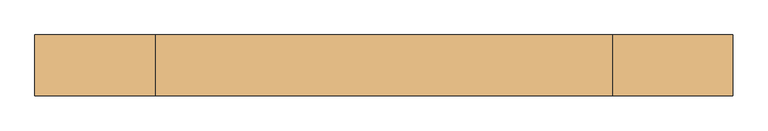
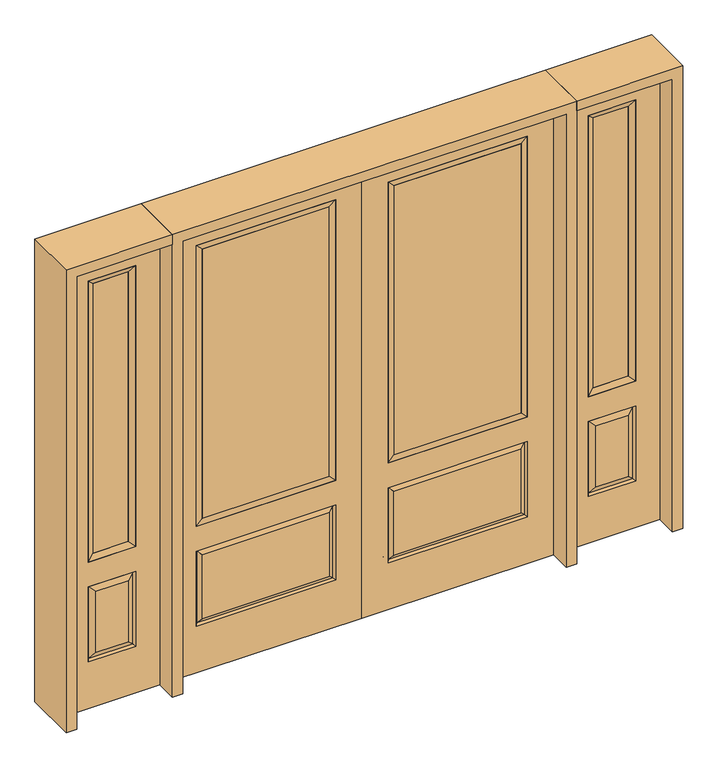
"""IFC4 building model written with IfcOpenShell, lengths in millimetres: door geometry."""

from ifc_helpers import new_model, si_unit, frame, origin, place, context, project, spatial, polyline, outline, extrude, faceted_brep, source, transform, mapped, element, save


def door_19d7b4fd(model_context):
    return source(origin(), model_context, "Body", "SolidModel", [
        faceted_brep([(694.5661499, -12.7912373, 216.6588501), (677.06875, -22.225, 234.15625), (135.73125, -22.225, 234.15625), (118.2338501, -12.7912373, 216.6588501), (111.125, -22.225, 209.55), (701.675, -22.225, 209.55), (701.675, -22.225, 546.1), (694.5661499, -12.7912373, 538.9911499), (0.0, -22.225, 2032.0), (0.0, -22.225, 0.0), (812.8, -22.225, 0.0), (812.8, -22.225, 2032.0), (111.125, -22.225, 546.1), (111.125, -22.225, 1917.7), (701.675, -22.225, 1917.7), (701.675, -22.225, 657.098), (111.125, -22.225, 657.098), (677.06875, -22.225, 521.49375), (135.73125, -22.225, 521.49375), (118.2338501, -12.7912373, 538.9911499), (812.8, 22.225, 0.0), (812.8, 22.225, 2032.0), (0.0, 22.225, 0.0), (0.0, 22.225, 2032.0), (111.125, 22.225, 657.098), (111.125, 22.225, 1917.7), (701.675, 22.225, 657.098), (701.675, 22.225, 1917.7), (135.73125, 22.225, 234.15625), (135.73125, 22.225, 521.49375), (677.06875, 22.225, 521.49375), (677.06875, 22.225, 234.15625), (701.675, 22.225, 209.55), (701.675, 22.225, 546.1), (111.125, 22.225, 546.1), (111.125, 22.225, 209.55), (118.2338501, 12.7912373, 216.6588501), (694.5661499, 12.7912373, 216.6588501), (118.2338501, 12.7912373, 538.9911499), (694.5661499, 12.7912373, 538.9911499)], [[[0, 1, 2, 3]], [[3, 4, 5, 0]], [[5, 6, 7, 0]], [[8, 9, 10, 11], [4, 12, 6, 5], [13, 14, 15, 16]], [[1, 17, 18, 2]], [[3, 19, 12, 4]], [[2, 18, 19, 3]], [[0, 7, 17, 1]], [[6, 12, 19, 7]], [[7, 19, 18, 17]], [[10, 20, 21, 11]], [[9, 22, 20, 10]], [[8, 23, 22, 9]], [[16, 24, 25, 13]], [[15, 26, 24, 16]], [[14, 27, 26, 15]], [[28, 29, 30, 31]], [[23, 21, 20, 22], [25, 24, 26, 27], [32, 33, 34, 35]], [[32, 35, 36, 37]], [[35, 34, 38, 36]], [[39, 38, 34, 33]], [[37, 39, 33, 32]], [[36, 28, 31, 37]], [[31, 30, 39, 37]], [[30, 29, 38, 39]], [[36, 38, 29, 28]], [[11, 21, 23, 8]], [[13, 25, 27, 14]]]),
        faceted_brep([(701.675, -22.225, 1917.7), (701.675, -22.225, 657.098), (701.675, 22.225, 657.098), (701.675, 22.225, 1917.7), (111.125, -22.225, 657.098), (111.125, 22.225, 657.098), (136.525, 5.08, 682.498), (676.275, 5.08, 682.498), (111.125, -22.225, 1917.7), (111.125, 22.225, 1917.7), (676.275, -20.32, 682.498), (136.525, -20.32, 682.498), (676.275, -20.32, 1892.3), (136.525, -20.32, 1892.3), (676.275, 5.08, 1892.3), (136.525, 5.08, 1892.3)], [[[0, 1, 2, 3]], [[1, 4, 5, 2]], [[2, 5, 6, 7]], [[4, 8, 9, 5]], [[10, 11, 4, 1]], [[12, 10, 1, 0]], [[11, 13, 8, 4]], [[7, 6, 11, 10]], [[14, 7, 10, 12]], [[6, 15, 13, 11]], [[3, 2, 7, 14]], [[5, 9, 15, 6]], [[8, 0, 3, 9]], [[13, 12, 0, 8]], [[15, 14, 12, 13]], [[9, 3, 14, 15]]]),
        extrude(outline(polyline([(136.525, -20.32), (136.525, 5.08), (676.275, 5.08), (676.275, -20.32), (136.525, -20.32)])), frame((0.0, 0.0, 682.498), z_axis=(0.0, 0.0, 1.0), x_axis=(1.0, 0.0, 0.0)), (0.0, 0.0, 1.0), 1209.802),
        faceted_brep([(857.25, -22.225, 0.0), (1263.65, -22.225, 0.0), (1263.65, -22.225, 2032.0), (857.25, -22.225, 2032.0), (1160.78, -22.225, 1919.224), (1160.78, -22.225, 657.098), (960.12, -22.225, 657.098), (960.12, -22.225, 1919.224), (1160.78, -22.225, 209.55), (960.12, -22.225, 209.55), (960.12, -22.225, 546.1), (1160.78, -22.225, 546.1), (991.8351001, -22.225, 241.2651001), (1129.0648999, -22.225, 241.2651001), (1129.0648999, -22.225, 514.3848999), (991.8351001, -22.225, 514.3848999), (857.25, 22.225, 0.0), (857.25, 22.225, 2032.0), (1263.65, 22.225, 2032.0), (1263.65, 22.225, 0.0), (1160.78, 22.225, 1919.224), (960.12, 22.225, 1919.224), (960.12, 22.225, 657.098), (1160.78, 22.225, 657.098), (960.12, 22.225, 209.55), (1160.78, 22.225, 209.55), (1160.78, 22.225, 546.1), (960.12, 22.225, 546.1), (1129.0648999, 22.225, 241.2651001), (991.8351001, 22.225, 241.2651001), (991.8351001, 22.225, 514.3848999), (1129.0648999, 22.225, 514.3848999), (1153.6711499, 12.7912373, 216.6588501), (967.2288501, 12.7912373, 216.6588501), (967.2288501, 12.7912373, 538.9911499), (1153.6711499, 12.7912373, 538.9911499), (967.2288501, -12.7912373, 216.6588501), (1153.6711499, -12.7912373, 216.6588501), (967.2288501, -12.7912373, 538.9911499), (1153.6711499, -12.7912373, 538.9911499)], [[[0, 1, 2, 3], [4, 5, 6, 7], [8, 9, 10, 11]], [[12, 13, 14, 15]], [[16, 17, 18, 19], [20, 21, 22, 23], [24, 25, 26, 27]], [[28, 29, 30, 31]], [[1, 0, 16, 19]], [[2, 1, 19, 18]], [[3, 2, 18, 17]], [[0, 3, 17, 16]], [[5, 4, 20, 23]], [[6, 5, 23, 22]], [[7, 6, 22, 21]], [[4, 7, 21, 20]], [[32, 33, 29, 28]], [[33, 32, 25, 24]], [[29, 33, 34, 30]], [[33, 24, 27, 34]], [[30, 34, 35, 31]], [[34, 27, 26, 35]], [[32, 28, 31, 35]], [[25, 32, 35, 26]], [[12, 36, 37, 13]], [[37, 36, 9, 8]], [[36, 12, 15, 38]], [[9, 36, 38, 10]], [[38, 15, 14, 39]], [[10, 38, 39, 11]], [[13, 37, 39, 14]], [[37, 8, 11, 39]]]),
        faceted_brep([(960.12, 22.225, 1919.224), (960.12, -22.225, 1919.224), (1160.78, -22.225, 1919.224), (1160.78, 22.225, 1919.224), (985.52, 12.7, 1893.824), (1135.38, 12.7, 1893.824), (985.52, -12.7, 1893.824), (1135.38, -12.7, 1893.824), (1160.78, -22.225, 657.098), (1160.78, 22.225, 657.098), (1135.38, 12.7, 682.498), (1135.38, -12.7, 682.498), (960.12, -22.225, 657.098), (960.12, 22.225, 657.098), (985.52, 12.7, 682.498), (985.52, -12.7, 682.498)], [[[0, 1, 2, 3]], [[4, 0, 3, 5]], [[6, 4, 5, 7]], [[1, 6, 7, 2]], [[3, 2, 8, 9]], [[5, 3, 9, 10]], [[7, 5, 10, 11]], [[2, 7, 11, 8]], [[9, 8, 12, 13]], [[10, 9, 13, 14]], [[11, 10, 14, 15]], [[8, 11, 15, 12]], [[13, 12, 1, 0]], [[14, 13, 0, 4]], [[15, 14, 4, 6]], [[12, 15, 6, 1]]]),
        extrude(outline(polyline([(1135.38, -12.7), (985.52, -12.7), (985.52, 12.7), (1135.38, 12.7), (1135.38, -12.7)])), frame((0.0, 0.0, 682.498), z_axis=(0.0, 0.0, 1.0), x_axis=(1.0, 0.0, 0.0)), (0.0, 0.0, 1.0), 1211.326),
        faceted_brep([(-1263.65, -22.225, 0.0), (-857.25, -22.225, 0.0), (-857.25, -22.225, 2032.0), (-1263.65, -22.225, 2032.0), (-960.12, -22.225, 1919.224), (-960.12, -22.225, 657.098), (-1160.78, -22.225, 657.098), (-1160.78, -22.225, 1919.224), (-960.12, -22.225, 209.55), (-1160.78, -22.225, 209.55), (-1160.78, -22.225, 546.1), (-960.12, -22.225, 546.1), (-1129.0648999, -22.225, 241.2651001), (-991.8351001, -22.225, 241.2651001), (-991.8351001, -22.225, 514.3848999), (-1129.0648999, -22.225, 514.3848999), (-1263.65, 22.225, 0.0), (-1263.65, 22.225, 2032.0), (-857.25, 22.225, 2032.0), (-857.25, 22.225, 0.0), (-960.12, 22.225, 1919.224), (-1160.78, 22.225, 1919.224), (-1160.78, 22.225, 657.098), (-960.12, 22.225, 657.098), (-1160.78, 22.225, 209.55), (-960.12, 22.225, 209.55), (-960.12, 22.225, 546.1), (-1160.78, 22.225, 546.1), (-991.8351001, 22.225, 241.2651001), (-1129.0648999, 22.225, 241.2651001), (-1129.0648999, 22.225, 514.3848999), (-991.8351001, 22.225, 514.3848999), (-967.2288501, 12.7912373, 216.6588501), (-1153.6711499, 12.7912373, 216.6588501), (-1153.6711499, 12.7912373, 538.9911499), (-967.2288501, 12.7912373, 538.9911499), (-1153.6711499, -12.7912373, 216.6588501), (-967.2288501, -12.7912373, 216.6588501), (-1153.6711499, -12.7912373, 538.9911499), (-967.2288501, -12.7912373, 538.9911499)], [[[0, 1, 2, 3], [4, 5, 6, 7], [8, 9, 10, 11]], [[12, 13, 14, 15]], [[16, 17, 18, 19], [20, 21, 22, 23], [24, 25, 26, 27]], [[28, 29, 30, 31]], [[1, 0, 16, 19]], [[2, 1, 19, 18]], [[3, 2, 18, 17]], [[0, 3, 17, 16]], [[5, 4, 20, 23]], [[6, 5, 23, 22]], [[7, 6, 22, 21]], [[4, 7, 21, 20]], [[32, 33, 29, 28]], [[33, 32, 25, 24]], [[29, 33, 34, 30]], [[33, 24, 27, 34]], [[30, 34, 35, 31]], [[34, 27, 26, 35]], [[32, 28, 31, 35]], [[25, 32, 35, 26]], [[12, 36, 37, 13]], [[37, 36, 9, 8]], [[36, 12, 15, 38]], [[9, 36, 38, 10]], [[38, 15, 14, 39]], [[10, 38, 39, 11]], [[13, 37, 39, 14]], [[37, 8, 11, 39]]]),
        faceted_brep([(-1160.78, 22.225, 1919.224), (-1160.78, -22.225, 1919.224), (-960.12, -22.225, 1919.224), (-960.12, 22.225, 1919.224), (-1135.38, 12.7, 1893.824), (-985.52, 12.7, 1893.824), (-1135.38, -12.7, 1893.824), (-985.52, -12.7, 1893.824), (-960.12, -22.225, 657.098), (-960.12, 22.225, 657.098), (-985.52, 12.7, 682.498), (-985.52, -12.7, 682.498), (-1160.78, -22.225, 657.098), (-1160.78, 22.225, 657.098), (-1135.38, 12.7, 682.498), (-1135.38, -12.7, 682.498)], [[[0, 1, 2, 3]], [[4, 0, 3, 5]], [[6, 4, 5, 7]], [[1, 6, 7, 2]], [[3, 2, 8, 9]], [[5, 3, 9, 10]], [[7, 5, 10, 11]], [[2, 7, 11, 8]], [[9, 8, 12, 13]], [[10, 9, 13, 14]], [[11, 10, 14, 15]], [[8, 11, 15, 12]], [[13, 12, 1, 0]], [[14, 13, 0, 4]], [[15, 14, 4, 6]], [[12, 15, 6, 1]]]),
        extrude(outline(polyline([(-985.52, -12.7), (-1135.38, -12.7), (-1135.38, 12.7), (-985.52, 12.7), (-985.52, -12.7)])), frame((0.0, 0.0, 682.498), z_axis=(0.0, 0.0, 1.0), x_axis=(1.0, 0.0, 0.0)), (0.0, 0.0, 1.0), 1211.326),
        faceted_brep([(-694.5661499, -12.7912373, 216.6588501), (-118.2338501, -12.7912373, 216.6588501), (-135.73125, -22.225, 234.15625), (-677.06875, -22.225, 234.15625), (-701.675, -22.225, 209.55), (-111.125, -22.225, 209.55), (-694.5661499, -12.7912373, 538.9911499), (-701.675, -22.225, 546.1), (-135.73125, -22.225, 521.49375), (-677.06875, -22.225, 521.49375), (0.0, -22.225, 2032.0), (-812.8, -22.225, 2032.0), (-812.8, -22.225, 0.0), (0.0, -22.225, 0.0), (-111.125, -22.225, 546.1), (-111.125, -22.225, 1917.7), (-111.125, -22.225, 657.098), (-701.675, -22.225, 657.098), (-701.675, -22.225, 1917.7), (-118.2338501, -12.7912373, 538.9911499), (-812.8, 22.225, 2032.0), (-812.8, 22.225, 0.0), (0.0, 22.225, 0.0), (0.0, 22.225, 2032.0), (-111.125, 22.225, 1917.7), (-111.125, 22.225, 657.098), (-701.675, 22.225, 657.098), (-701.675, 22.225, 1917.7), (-701.675, 22.225, 209.55), (-111.125, 22.225, 209.55), (-111.125, 22.225, 546.1), (-701.675, 22.225, 546.1), (-135.73125, 22.225, 234.15625), (-677.06875, 22.225, 234.15625), (-677.06875, 22.225, 521.49375), (-135.73125, 22.225, 521.49375), (-694.5661499, 12.7912373, 216.6588501), (-118.2338501, 12.7912373, 216.6588501), (-118.2338501, 12.7912373, 538.9911499), (-694.5661499, 12.7912373, 538.9911499)], [[[0, 1, 2, 3]], [[1, 0, 4, 5]], [[4, 0, 6, 7]], [[3, 2, 8, 9]], [[10, 11, 12, 13], [5, 4, 7, 14], [15, 16, 17, 18]], [[1, 5, 14, 19]], [[2, 1, 19, 8]], [[0, 3, 9, 6]], [[7, 6, 19, 14]], [[6, 9, 8, 19]], [[12, 11, 20, 21]], [[13, 12, 21, 22]], [[10, 13, 22, 23]], [[16, 15, 24, 25]], [[17, 16, 25, 26]], [[18, 17, 26, 27]], [[23, 22, 21, 20], [28, 29, 30, 31], [24, 27, 26, 25]], [[32, 33, 34, 35]], [[28, 36, 37, 29]], [[29, 37, 38, 30]], [[39, 31, 30, 38]], [[36, 28, 31, 39]], [[37, 36, 33, 32]], [[33, 36, 39, 34]], [[34, 39, 38, 35]], [[37, 32, 35, 38]], [[11, 10, 23, 20]], [[15, 18, 27, 24]]]),
        faceted_brep([(-701.675, -22.225, 1917.7), (-701.675, 22.225, 1917.7), (-701.675, 22.225, 657.098), (-701.675, -22.225, 657.098), (-111.125, 22.225, 657.098), (-111.125, -22.225, 657.098), (-676.275, 5.08, 682.498), (-136.525, 5.08, 682.498), (-111.125, 22.225, 1917.7), (-111.125, -22.225, 1917.7), (-676.275, -20.32, 682.498), (-136.525, -20.32, 682.498), (-676.275, -20.32, 1892.3), (-136.525, -20.32, 1892.3), (-676.275, 5.08, 1892.3), (-136.525, 5.08, 1892.3)], [[[0, 1, 2, 3]], [[3, 2, 4, 5]], [[2, 6, 7, 4]], [[5, 4, 8, 9]], [[10, 3, 5, 11]], [[12, 0, 3, 10]], [[11, 5, 9, 13]], [[6, 10, 11, 7]], [[14, 12, 10, 6]], [[7, 11, 13, 15]], [[1, 14, 6, 2]], [[4, 7, 15, 8]], [[9, 8, 1, 0]], [[13, 9, 0, 12]], [[15, 13, 12, 14]], [[8, 15, 14, 1]]]),
        extrude(outline(polyline([(-136.525, -20.32), (-676.275, -20.32), (-676.275, 5.08), (-136.525, 5.08), (-136.525, -20.32)])), frame((0.0, 0.0, 682.498), z_axis=(0.0, 0.0, 1.0), x_axis=(1.0, 0.0, 0.0)), (0.0, 0.0, 1.0), 1209.802),
        extrude(outline(polyline([(2032.0, -857.25), (2076.45, -857.25), (2076.45, -1308.1), (0.0, -1308.1), (0.0, -1263.65), (2032.0, -1263.65), (2032.0, -857.25)])), frame((0.0, -114.3, 0.0), z_axis=(0.0, 1.0, 0.0), x_axis=(0.0, 0.0, 1.0)), (0.0, 0.0, 1.0), 228.6),
        extrude(outline(polyline([(2076.45, -857.25), (0.0, -857.25), (0.0, -812.8), (2032.0, -812.8), (2032.0, 812.8), (0.0, 812.8), (0.0, 857.25), (2076.45, 857.25), (2076.45, -857.25)])), frame((0.0, -114.3, 0.0), z_axis=(0.0, 1.0, 0.0), x_axis=(0.0, 0.0, 1.0)), (0.0, 0.0, 1.0), 228.6),
        extrude(outline(polyline([(0.0, 1263.65), (0.0, 1308.1), (2076.45, 1308.1), (2076.45, 857.25), (2032.0, 857.25), (2032.0, 1263.65), (0.0, 1263.65)])), frame((0.0, -114.3, 0.0), z_axis=(0.0, 1.0, 0.0), x_axis=(0.0, 0.0, 1.0)), (0.0, 0.0, 1.0), 228.6),
    ])


if __name__ == "__main__":
    model = new_model("IFC4")
    model_context = context("Model", 3, world=origin())
    ifc_project = project(units=[si_unit("LENGTHUNIT", "METRE", prefix="MILLI")], contexts=[model_context])
    site = spatial("IfcSite", under=ifc_project)
    building = spatial("IfcBuilding", under=site)
    placement = place(None, origin())
    door_shape = door_19d7b4fd(model_context)
    element("IfcDoor", 1, at=placement, inside=building, context=model_context, shape_type="MappedRepresentation", body=[
        mapped(door_shape, transform((0.0, 0.0, 0.0), x_axis=(1.0, 0.0, 0.0), y_axis=(0.0, 1.0, 0.0), z_axis=(0.0, 0.0, 1.0))),
    ])
    save(model, "model.ifc")
